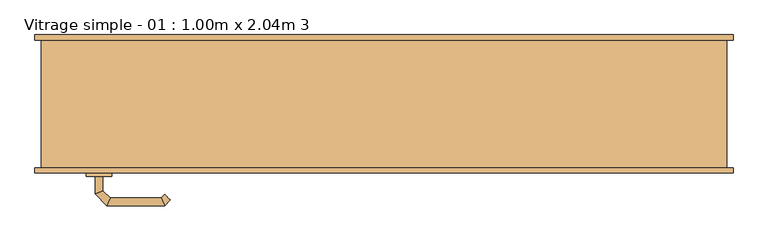
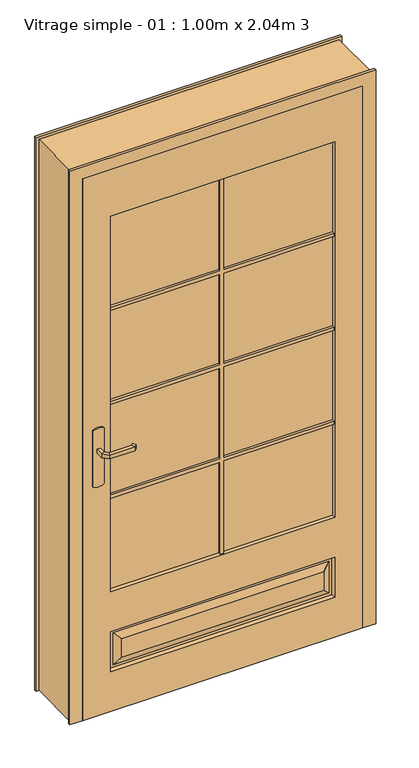
"""IFC4 building model written with IfcOpenShell, lengths in millimetres: door geometry, Vitrage simple - 01 : 1.00m x 2.04m 3."""

from ifc_helpers import new_model, si_unit, point, frame, frame_2d, origin, place, context, project, spatial, polyline, circle_curve, ellipse_curve, trimmed, segment, composite_curve, outline, extrude, faceted_brep, source, transform, mapped, element, save
from ifc_brep_helpers import plane_surface, cylinder_surface, advanced_brep


def vitrage_simple_01_1_00m_x_2_04m_3_3903baa1(model_context):
    return source(origin(), model_context, "Body", "SolidModel", [
        advanced_brep(
        [(-439.0, -63.0, 993.0), (-439.0, -63.0, 1007.0), (-451.0, -63.0, 1007.0), (-451.0, -63.0, 993.0), (-439.0, -40.5147955, 993.0), (-439.0, -40.5147955, 1007.0), (-451.0, -35.5442327, 1007.0), (-451.0, -35.5442327, 993.0), (-427.5147186, -29.0295141, 993.0), (-427.5147186, -29.0295141, 1007.0), (-432.4852814, -17.0295141, 1007.0), (-432.4852814, -17.0295141, 993.0), (-347.4394977, -29.0295141, 993.0), (-347.4394977, -29.0295141, 1007.0), (-342.468935, -17.0295141, 1007.0), (-342.468935, -17.0295141, 993.0), (-342.1257892, -34.3432226, 993.0), (-333.6405078, -25.8579412, 993.0), (-333.6405078, -25.8579412, 1007.0), (-342.1257892, -34.3432226, 1007.0)],
        [
            (0, 1),
            (1, 2, circle_curve(frame((-445.0, -63.0, 986.9542278), z_axis=(0.0, -1.0, 0.0), x_axis=(-1.0, 0.0, 0.0)), 20.9244589)),
            (2, 3),
            (3, 0, circle_curve(frame((-445.0, -63.0, 1013.0457722), z_axis=(0.0, -1.0, 0.0), x_axis=(-1.0, 0.0, 0.0)), 20.9244589)),
            (0, 4),
            (4, 5),
            (5, 1),
            (5, 6, ellipse_curve(frame((-445.0, -38.0295141, 986.9542278), z_axis=(-0.38268343236510893, -0.9238795325112789, 0.0), x_axis=(0.9238795325112789, -0.3826834323651087, 0.0)), 22.6484711, 20.9244589)),
            (6, 2),
            (6, 7),
            (7, 3),
            (7, 4, ellipse_curve(frame((-445.0, -38.0295141, 1013.0457722), z_axis=(-0.38268343236510893, -0.9238795325112789, 0.0), x_axis=(0.9238795325112789, -0.3826834323651087, 0.0)), 22.6484711, 20.9244589)),
            (4, 8),
            (8, 9),
            (9, 5),
            (9, 10, ellipse_curve(frame((-430.0, -23.0295141, 986.9542278), z_axis=(-0.9238795325112946, -0.38268343236507063, 0.0), x_axis=(0.3826834323650701, -0.9238795325112948, 0.0)), 22.6484711, 20.9244589)),
            (10, 6),
            (10, 11),
            (11, 7),
            (11, 8, ellipse_curve(frame((-430.0, -23.0295141, 1013.0457722), z_axis=(-0.9238795325112946, -0.38268343236507063, 0.0), x_axis=(0.3826834323650701, -0.9238795325112948, 0.0)), 22.6484711, 20.9244589)),
            (8, 12),
            (12, 13),
            (13, 9),
            (13, 14, ellipse_curve(frame((-344.9542163, -23.0295141, 986.9542278), z_axis=(-0.9238795325113071, 0.38268343236504027, 0.0), x_axis=(-0.38268343236504115, -0.9238795325113068, 0.0)), 22.6484711, 20.9244589)),
            (14, 10),
            (14, 15),
            (15, 11),
            (15, 12, ellipse_curve(frame((-344.9542163, -23.0295141, 1013.0457722), z_axis=(-0.9238795325113071, 0.38268343236504027, 0.0), x_axis=(-0.38268343236504115, -0.9238795325113068, 0.0)), 22.6484711, 20.9244589)),
            (16, 17, circle_curve(frame((-337.8831485, -30.1005819, 1013.0457722), z_axis=(0.7071067811866232, -0.7071067811864719, 0.0), x_axis=(0.7071067811864719, 0.7071067811866232, 0.0)), 20.9244589)),
            (17, 18),
            (18, 19, circle_curve(frame((-337.8831485, -30.1005819, 986.9542278), z_axis=(0.7071067811866232, -0.7071067811864719, 0.0), x_axis=(0.7071067811864719, 0.7071067811866232, 0.0)), 20.9244589)),
            (19, 16),
            (12, 16),
            (19, 13),
            (18, 14),
            (17, 15),
        ],
        [
            plane_surface(frame((-454.2195445, -63.0, 1000.0), z_axis=(0.0, -1.0, 0.0), x_axis=(0.0, 0.0, 1.0))),
            plane_surface(frame((-439.0, -63.0, 993.0), z_axis=(1.0, 0.0, 0.0), x_axis=(0.0, 1.0, 0.0))),
            cylinder_surface(frame((-445.0, -63.0, 986.9542278), z_axis=(0.0, -1.0, 0.0), x_axis=(-1.0, 0.0, 0.0)), 20.9244589),
            plane_surface(frame((-451.0, -63.0, 1007.0), z_axis=(-1.0, 0.0, 0.0), x_axis=(0.0, 1.0, 0.0))),
            cylinder_surface(frame((-445.0, -63.0, 1013.0457722), z_axis=(0.0, -1.0, 0.0), x_axis=(-1.0, 0.0, 0.0)), 20.9244589),
            plane_surface(frame((-439.0, -40.5147955, 993.0), z_axis=(0.7071067811865182, -0.707106781186577, 0.0), x_axis=(0.707106781186577, 0.7071067811865182, 0.0))),
            cylinder_surface(frame((-445.0, -38.0295141, 986.9542278), z_axis=(-0.7071067811865768, -0.7071067811865183, 0.0), x_axis=(-0.7071067811865183, 0.7071067811865768, 0.0)), 20.9244589),
            plane_surface(frame((-451.0, -35.5442327, 1007.0), z_axis=(-0.7071067811865184, 0.7071067811865767, 0.0), x_axis=(0.7071067811865767, 0.7071067811865184, 0.0))),
            cylinder_surface(frame((-445.0, -38.0295141, 1013.0457722), z_axis=(-0.7071067811865768, -0.7071067811865183, 0.0), x_axis=(-0.7071067811865183, 0.7071067811865768, 0.0)), 20.9244589),
            plane_surface(frame((-427.5147186, -29.0295141, 993.0), z_axis=(0.0, -1.0, 0.0), x_axis=(1.0, 0.0, 0.0))),
            cylinder_surface(frame((-430.0, -23.0295141, 986.9542278), z_axis=(-1.0, 0.0, 0.0), x_axis=(0.0, 1.0, 0.0)), 20.9244589),
            plane_surface(frame((-432.4852814, -17.0295141, 1007.0), z_axis=(0.0, 1.0, 0.0), x_axis=(1.0, 0.0, 0.0))),
            cylinder_surface(frame((-430.0, -23.0295141, 1013.0457722), z_axis=(-1.0, 0.0, 0.0), x_axis=(0.0, 1.0, 0.0)), 20.9244589),
            plane_surface(frame((-337.8831485, -30.1005819, 990.7804555), z_axis=(0.7071067811866233, -0.7071067811864719, 0.0), x_axis=(0.7071067811864719, 0.7071067811866233, 0.0))),
            plane_surface(frame((-347.4394977, -29.0295141, 993.0), z_axis=(-0.7071067811864713, -0.7071067811866238, 0.0), x_axis=(0.7071067811866238, -0.7071067811864713, 0.0))),
            cylinder_surface(frame((-344.9542163, -23.0295141, 986.9542278), z_axis=(-0.7071067811866232, 0.7071067811864719, 0.0), x_axis=(0.7071067811864719, 0.7071067811866232, 0.0)), 20.9244589),
            plane_surface(frame((-342.468935, -17.0295141, 1007.0), z_axis=(0.7071067811864721, 0.707106781186623, 0.0), x_axis=(0.707106781186623, -0.7071067811864721, 0.0))),
            cylinder_surface(frame((-344.9542163, -23.0295141, 1013.0457722), z_axis=(-0.7071067811866232, 0.7071067811864719, 0.0), x_axis=(0.7071067811864719, 0.7071067811866232, 0.0)), 20.9244589),
        ],
        [
            (0, [[1, 2, 3, 4]]),
            (1, [[-1, 5, 6, 7]]),
            (2, [[-2, -7, 8, 9]]),
            (3, [[-3, -9, 10, 11]]),
            (4, [[-4, -11, 12, -5]]),
            (5, [[-6, 13, 14, 15]]),
            (6, [[-8, -15, 16, 17]]),
            (7, [[-10, -17, 18, 19]]),
            (8, [[-12, -19, 20, -13]]),
            (9, [[-14, 21, 22, 23]]),
            (10, [[-16, -23, 24, 25]]),
            (11, [[-18, -25, 26, 27]]),
            (12, [[-20, -27, 28, -21]]),
            (13, [[29, 30, 31, 32]]),
            (14, [[-22, 33, -32, 34]]),
            (15, [[-24, -34, -31, 35]]),
            (16, [[-26, -35, -30, 36]]),
            (17, [[-28, -36, -29, -33]]),
        ],
    ),
        advanced_brep(
        [(-451.0, -113.0, 1007.0), (-439.0, -113.0, 1007.0), (-439.0, -113.0, 993.0), (-451.0, -113.0, 993.0), (-451.0, -140.6509507, 1007.0), (-439.0, -135.680388, 1007.0), (-439.0, -135.680388, 993.0), (-451.0, -140.6509507, 993.0), (-432.62279, -159.0281607, 1007.0), (-427.6522273, -147.0281607, 1007.0), (-427.6522273, -147.0281607, 993.0), (-432.62279, -159.0281607, 993.0), (-342.496078, -159.0281607, 1007.0), (-347.4666408, -147.0281607, 1007.0), (-347.4666408, -147.0281607, 993.0), (-342.496078, -159.0281607, 993.0), (-333.6676509, -150.1997336, 1007.0), (-333.6676509, -150.1997336, 993.0), (-342.1529323, -141.7144522, 993.0), (-342.1529323, -141.7144522, 1007.0)],
        [
            (0, 1, circle_curve(frame((-445.0, -113.0, 986.9542278), z_axis=(0.0, 1.0, 0.0), x_axis=(1.0, 0.0, 0.0)), 20.9244589)),
            (1, 2),
            (2, 3, circle_curve(frame((-445.0, -113.0, 1013.0457722), z_axis=(0.0, 1.0, 0.0), x_axis=(1.0, 0.0, 0.0)), 20.9244589)),
            (3, 0),
            (0, 4),
            (4, 5, ellipse_curve(frame((-445.0, -138.1656693, 986.9542278), z_axis=(-0.3826834323651093, 0.9238795325112789, 0.0), x_axis=(0.9238795325112791, 0.38268343236510843, 0.0)), 22.6484711, 20.9244589)),
            (5, 1),
            (5, 6),
            (6, 2),
            (6, 7, ellipse_curve(frame((-445.0, -138.1656693, 1013.0457722), z_axis=(-0.3826834323651093, 0.9238795325112789, 0.0), x_axis=(0.9238795325112791, 0.38268343236510843, 0.0)), 22.6484711, 20.9244589)),
            (7, 3),
            (7, 4),
            (4, 8),
            (8, 9, ellipse_curve(frame((-430.1375086, -153.0281607, 986.9542278), z_axis=(-0.9238795325112947, 0.38268343236507024, 0.0), x_axis=(0.3826834323650698, 0.9238795325112951, 0.0)), 22.6484711, 20.9244589)),
            (9, 5),
            (9, 10),
            (10, 6),
            (10, 11, ellipse_curve(frame((-430.1375086, -153.0281607, 1013.0457722), z_axis=(-0.9238795325112947, 0.38268343236507024, 0.0), x_axis=(0.3826834323650698, 0.9238795325112951, 0.0)), 22.6484711, 20.9244589)),
            (11, 7),
            (11, 8),
            (8, 12),
            (12, 13, ellipse_curve(frame((-344.9813594, -153.0281607, 986.9542278), z_axis=(-0.9238795325112743, -0.3826834323651198, 0.0), x_axis=(-0.38268343236511987, 0.9238795325112744, 0.0)), 22.6484711, 20.9244589)),
            (13, 9),
            (13, 14),
            (14, 10),
            (14, 15, ellipse_curve(frame((-344.9813594, -153.0281607, 1013.0457722), z_axis=(-0.9238795325112743, -0.3826834323651198, 0.0), x_axis=(-0.38268343236511987, 0.9238795325112744, 0.0)), 22.6484711, 20.9244589)),
            (15, 11),
            (15, 12),
            (16, 17),
            (17, 18, circle_curve(frame((-337.9102916, -145.9570929, 1013.0457722), z_axis=(0.7071067811865017, 0.7071067811865933, 0.0), x_axis=(-0.7071067811865933, 0.7071067811865017, 0.0)), 20.9244589)),
            (18, 19),
            (19, 16, circle_curve(frame((-337.9102916, -145.9570929, 986.9542278), z_axis=(0.7071067811865017, 0.7071067811865933, 0.0), x_axis=(-0.7071067811865933, 0.7071067811865017, 0.0)), 20.9244589)),
            (12, 16),
            (19, 13),
            (18, 14),
            (17, 15),
        ],
        [
            plane_surface(frame((-454.2195445, -113.0, 1000.0), z_axis=(0.0, 1.0, 0.0), x_axis=(0.0, 0.0, -1.0))),
            cylinder_surface(frame((-445.0, -113.0, 986.9542278), z_axis=(0.0, 1.0, 0.0), x_axis=(1.0, 0.0, 0.0)), 20.9244589),
            plane_surface(frame((-439.0, -113.0, 1007.0), z_axis=(1.0, 0.0, 0.0), x_axis=(0.0, -1.0, 0.0))),
            cylinder_surface(frame((-445.0, -113.0, 1013.0457722), z_axis=(0.0, 1.0, 0.0), x_axis=(1.0, 0.0, 0.0)), 20.9244589),
            plane_surface(frame((-451.0, -113.0, 993.0), z_axis=(-1.0, 0.0, 0.0), x_axis=(0.0, -1.0, 0.0))),
            cylinder_surface(frame((-445.0, -138.1656693, 986.9542278), z_axis=(-0.7071067811865772, 0.7071067811865177, 0.0), x_axis=(0.7071067811865177, 0.7071067811865772, 0.0)), 20.9244589),
            plane_surface(frame((-439.0, -135.680388, 1007.0), z_axis=(0.707106781186518, 0.7071067811865771, 0.0), x_axis=(0.7071067811865771, -0.707106781186518, 0.0))),
            cylinder_surface(frame((-445.0, -138.1656693, 1013.0457722), z_axis=(-0.7071067811865772, 0.7071067811865177, 0.0), x_axis=(0.7071067811865177, 0.7071067811865772, 0.0)), 20.9244589),
            plane_surface(frame((-451.0, -140.6509507, 993.0), z_axis=(-0.7071067811865179, -0.7071067811865772, 0.0), x_axis=(0.7071067811865772, -0.7071067811865179, 0.0))),
            cylinder_surface(frame((-430.1375086, -153.0281607, 986.9542278), z_axis=(-1.0, 0.0, 0.0), x_axis=(0.0, 1.0, 0.0)), 20.9244589),
            plane_surface(frame((-427.6522273, -147.0281607, 1007.0), z_axis=(0.0, 1.0, 0.0), x_axis=(1.0, 0.0, 0.0))),
            cylinder_surface(frame((-430.1375086, -153.0281607, 1013.0457722), z_axis=(-1.0, 0.0, 0.0), x_axis=(0.0, 1.0, 0.0)), 20.9244589),
            plane_surface(frame((-432.62279, -159.0281607, 993.0), z_axis=(0.0, -1.0, 0.0), x_axis=(1.0, 0.0, 0.0))),
            plane_surface(frame((-337.9102916, -145.9570929, 1009.2195445), z_axis=(0.7071067811865019, 0.7071067811865932, 0.0), x_axis=(0.7071067811865932, -0.7071067811865019, 0.0))),
            cylinder_surface(frame((-344.9813594, -153.0281607, 986.9542278), z_axis=(-0.7071067811865017, -0.7071067811865933, 0.0), x_axis=(-0.7071067811865933, 0.7071067811865017, 0.0)), 20.9244589),
            plane_surface(frame((-347.4666408, -147.0281607, 1007.0), z_axis=(-0.7071067811865925, 0.7071067811865025, 0.0), x_axis=(0.7071067811865025, 0.7071067811865925, 0.0))),
            cylinder_surface(frame((-344.9813594, -153.0281607, 1013.0457722), z_axis=(-0.7071067811865017, -0.7071067811865933, 0.0), x_axis=(-0.7071067811865933, 0.7071067811865017, 0.0)), 20.9244589),
            plane_surface(frame((-342.496078, -159.0281607, 993.0), z_axis=(0.7071067811865936, -0.7071067811865015, 0.0), x_axis=(0.7071067811865015, 0.7071067811865936, 0.0))),
        ],
        [
            (0, [[1, 2, 3, 4]]),
            (1, [[-1, 5, 6, 7]]),
            (2, [[-2, -7, 8, 9]]),
            (3, [[-3, -9, 10, 11]]),
            (4, [[-4, -11, 12, -5]]),
            (5, [[-6, 13, 14, 15]]),
            (6, [[-8, -15, 16, 17]]),
            (7, [[-10, -17, 18, 19]]),
            (8, [[-12, -19, 20, -13]]),
            (9, [[-14, 21, 22, 23]]),
            (10, [[-16, -23, 24, 25]]),
            (11, [[-18, -25, 26, 27]]),
            (12, [[-20, -27, 28, -21]]),
            (13, [[29, 30, 31, 32]]),
            (14, [[-22, 33, -32, 34]]),
            (15, [[-24, -34, -31, 35]]),
            (16, [[-26, -35, -30, 36]]),
            (17, [[-28, -36, -29, -33]]),
        ],
    ),
        extrude(outline(composite_curve([segment(trimmed(circle_curve(frame_2d((1045.3589838, -445.0)), 40.0), [point((1080.0, -425.0))], [point((1080.0, -465.0))], False, "CARTESIAN"), True, "CONTINUOUS"), segment(polyline([(1080.0, -465.0), (870.0, -465.0)]), True, "CONTINUOUS"), segment(trimmed(circle_curve(frame_2d((904.6410162, -445.0)), 40.0), [point((870.0, -465.0))], [point((870.0, -425.0))], False, "CARTESIAN"), True, "CONTINUOUS"), segment(polyline([(870.0, -425.0), (1080.0, -425.0)]), True, "CONTINUOUS")], self_intersect=False)), frame((0.0, -68.0, 0.0), z_axis=(0.0, 1.0, 0.0), x_axis=(0.0, 0.0, 1.0)), (0.0, 0.0, 1.0), 5.0),
        extrude(outline(composite_curve([segment(trimmed(circle_curve(frame_2d((904.6410162, -445.0)), 40.0), [point((870.0, -465.0))], [point((870.0, -425.0))], False, "CARTESIAN"), True, "CONTINUOUS"), segment(polyline([(870.0, -425.0), (1080.0, -425.0)]), True, "CONTINUOUS"), segment(trimmed(circle_curve(frame_2d((1045.3589838, -445.0)), 40.0), [point((1080.0, -425.0))], [point((1080.0, -465.0))], False, "CARTESIAN"), True, "CONTINUOUS"), segment(polyline([(1080.0, -465.0), (870.0, -465.0)]), True, "CONTINUOUS")], self_intersect=False)), frame((0.0, -113.0, 0.0), z_axis=(0.0, 1.0, 0.0), x_axis=(0.0, 0.0, 1.0)), (0.0, 0.0, 1.0), 5.0),
        faceted_brep([(-535.0, -100.0, 0.0), (-535.0, 100.0, 0.0), (-545.0, 100.0, 0.0), (-545.0, 108.0, 0.0), (-485.0, 108.0, 0.0), (-485.0, -68.0, 0.0), (-500.0, -68.0, 0.0), (-500.0, -108.0, 0.0), (-545.0, -108.0, 0.0), (-545.0, -100.0, 0.0), (-535.0, -100.0, 2075.0), (-535.0, 100.0, 2075.0), (535.0, 100.0, 2075.0), (535.0, 100.0, 0.0), (545.0, 100.0, 0.0), (545.0, 100.0, 2085.0), (-545.0, 100.0, 2085.0), (-545.0, 108.0, 2085.0), (545.0, 108.0, 2085.0), (545.0, 108.0, 0.0), (485.0, 108.0, 0.0), (485.0, 108.0, 2025.0), (-485.0, 108.0, 2025.0), (-485.0, -68.0, 2025.0), (485.0, -68.0, 2025.0), (485.0, -68.0, 0.0), (500.0, -68.0, 0.0), (500.0, -68.0, 2040.0), (-500.0, -68.0, 2040.0), (-500.0, -108.0, 2040.0), (500.0, -108.0, 2040.0), (500.0, -108.0, 0.0), (545.0, -108.0, 0.0), (545.0, -108.0, 2085.0), (-545.0, -108.0, 2085.0), (-545.0, -100.0, 2085.0), (545.0, -100.0, 2085.0), (545.0, -100.0, 0.0), (535.0, -100.0, 0.0), (535.0, -100.0, 2075.0)], [[[0, 1, 2, 3, 4, 5, 6, 7, 8, 9]], [[1, 0, 10, 11]], [[2, 1, 11, 12, 13, 14, 15, 16]], [[3, 2, 16, 17]], [[4, 3, 17, 18, 19, 20, 21, 22]], [[5, 4, 22, 23]], [[6, 5, 23, 24, 25, 26, 27, 28]], [[7, 6, 28, 29]], [[8, 7, 29, 30, 31, 32, 33, 34]], [[9, 8, 34, 35]], [[0, 9, 35, 36, 37, 38, 39, 10]], [[13, 12, 39, 38]], [[14, 13, 38, 37, 32, 31, 26, 25, 20, 19]], [[15, 14, 19, 18]], [[21, 20, 25, 24]], [[27, 26, 31, 30]], [[33, 32, 37, 36]], [[11, 10, 39, 12]], [[16, 15, 18, 17]], [[22, 21, 24, 23]], [[28, 27, 30, 29]], [[34, 33, 36, 35]]]),
        extrude(outline(polyline([(400.0, -93.0), (-400.0, -93.0), (-400.0, -83.0), (400.0, -83.0), (400.0, -93.0)])), frame((0.0, 0.0, 450.0), z_axis=(0.0, 0.0, 1.0), x_axis=(1.0, 0.0, 0.0)), (0.0, 0.0, 1.0), 1415.0),
        faceted_brep([(-500.0, -108.0, 2040.0), (-500.0, -108.0, 0.0), (500.0, -108.0, 0.0), (500.0, -108.0, 2040.0), (400.0, -108.0, 1865.0), (400.0, -108.0, 450.0), (-400.0, -108.0, 450.0), (-400.0, -108.0, 1865.0), (400.0, -108.0, 300.0), (400.0, -108.0, 150.0), (-400.0, -108.0, 150.0), (-400.0, -108.0, 300.0), (360.0, -108.0, 190.0), (360.0, -108.0, 260.0), (-360.0, -108.0, 260.0), (-360.0, -108.0, 190.0), (-500.0, -68.0, 2040.0), (500.0, -68.0, 2040.0), (500.0, -68.0, 0.0), (-500.0, -68.0, 0.0), (400.0, -68.0, 1865.0), (-400.0, -68.0, 1865.0), (-400.0, -68.0, 450.0), (400.0, -68.0, 450.0), (-400.0, -68.0, 300.0), (-400.0, -68.0, 150.0), (400.0, -68.0, 150.0), (400.0, -68.0, 300.0), (-360.0, -68.0, 190.0), (-360.0, -68.0, 260.0), (360.0, -68.0, 260.0), (360.0, -68.0, 190.0), (385.0, -98.0, 165.0), (385.0, -98.0, 285.0), (395.0, -98.0, 295.0), (395.0, -98.0, 155.0), (-385.0, -98.0, 165.0), (-395.0, -98.0, 155.0), (-385.0, -98.0, 285.0), (-395.0, -98.0, 295.0), (-385.0, -78.0, 165.0), (-385.0, -78.0, 285.0), (-395.0, -78.0, 295.0), (-395.0, -78.0, 155.0), (385.0, -78.0, 165.0), (395.0, -78.0, 155.0), (385.0, -78.0, 285.0), (395.0, -78.0, 295.0)], [[[0, 1, 2, 3], [4, 5, 6, 7], [8, 9, 10, 11]], [[12, 13, 14, 15]], [[16, 17, 18, 19], [20, 21, 22, 23], [24, 25, 26, 27]], [[28, 29, 30, 31]], [[1, 0, 16, 19]], [[2, 1, 19, 18]], [[3, 2, 18, 17]], [[0, 3, 17, 16]], [[5, 4, 20, 23]], [[6, 5, 23, 22]], [[7, 6, 22, 21]], [[4, 7, 21, 20]], [[12, 32, 33, 13]], [[34, 35, 9, 8]], [[32, 12, 15, 36]], [[9, 35, 37, 10]], [[36, 15, 14, 38]], [[10, 37, 39, 11]], [[35, 34, 39, 37], [33, 32, 36, 38]], [[13, 33, 38, 14]], [[34, 8, 11, 39]], [[28, 40, 41, 29]], [[42, 43, 25, 24]], [[40, 28, 31, 44]], [[25, 43, 45, 26]], [[44, 31, 30, 46]], [[26, 45, 47, 27]], [[43, 42, 47, 45], [41, 40, 44, 46]], [[29, 41, 46, 30]], [[42, 24, 27, 47]]]),
        extrude(outline(polyline([(450.0, -6.0), (450.0, 6.0), (797.75, 6.0), (797.75, 400.0), (809.75, 400.0), (809.75, 6.0), (1151.5, 6.0), (1151.5, 400.0), (1163.5, 400.0), (1163.5, 6.0), (1505.25, 6.0), (1505.25, 400.0), (1517.25, 400.0), (1517.25, 6.0), (1865.0, 6.0), (1865.0, -6.0), (1517.25, -6.0), (1517.25, -400.0), (1505.25, -400.0), (1505.25, -6.0), (1163.5, -6.0), (1163.5, -400.0), (1151.5, -400.0), (1151.5, -6.0), (809.75, -6.0), (809.75, -400.0), (797.75, -400.0), (797.75, -6.0), (450.0, -6.0)])), frame((0.0, -103.0, 0.0), z_axis=(0.0, 1.0, 0.0), x_axis=(0.0, 0.0, 1.0)), (0.0, 0.0, 1.0), 10.0),
        extrude(outline(polyline([(450.0, -6.0), (450.0, 6.0), (797.75, 6.0), (797.75, 400.0), (809.75, 400.0), (809.75, 6.0), (1151.5, 6.0), (1151.5, 400.0), (1163.5, 400.0), (1163.5, 6.0), (1505.25, 6.0), (1505.25, 400.0), (1517.25, 400.0), (1517.25, 6.0), (1865.0, 6.0), (1865.0, -6.0), (1517.25, -6.0), (1517.25, -400.0), (1505.25, -400.0), (1505.25, -6.0), (1163.5, -6.0), (1163.5, -400.0), (1151.5, -400.0), (1151.5, -6.0), (809.75, -6.0), (809.75, -400.0), (797.75, -400.0), (797.75, -6.0), (450.0, -6.0)])), frame((0.0, -83.0, 0.0), z_axis=(0.0, 1.0, 0.0), x_axis=(0.0, 0.0, 1.0)), (0.0, 0.0, 1.0), 10.0),
    ])


if __name__ == "__main__":
    model = new_model("IFC4")
    model_context = context("Model", 3, world=origin())
    ifc_project = project(units=[si_unit("LENGTHUNIT", "METRE", prefix="MILLI")], contexts=[model_context])
    site = spatial("IfcSite", under=ifc_project)
    building = spatial("IfcBuilding", under=site)
    placement = place(None, origin())
    vitrage_simple_01_1_00m_x_2_04m_3_shape = vitrage_simple_01_1_00m_x_2_04m_3_3903baa1(model_context)
    element("IfcDoor", 1, ObjectType="Vitrage simple - 01 : 1.00m x 2.04m 3", at=placement, inside=building, context=model_context, shape_type="MappedRepresentation", body=[
        mapped(vitrage_simple_01_1_00m_x_2_04m_3_shape, transform((0.0, 0.0, 0.0), x_axis=(1.0, 0.0, 0.0), y_axis=(0.0, 1.0, 0.0), z_axis=(0.0, 0.0, 1.0))),
    ])
    save(model, "model.ifc")
